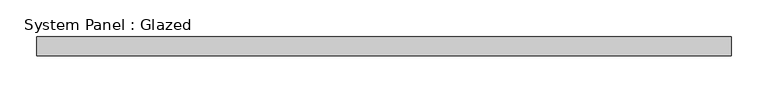
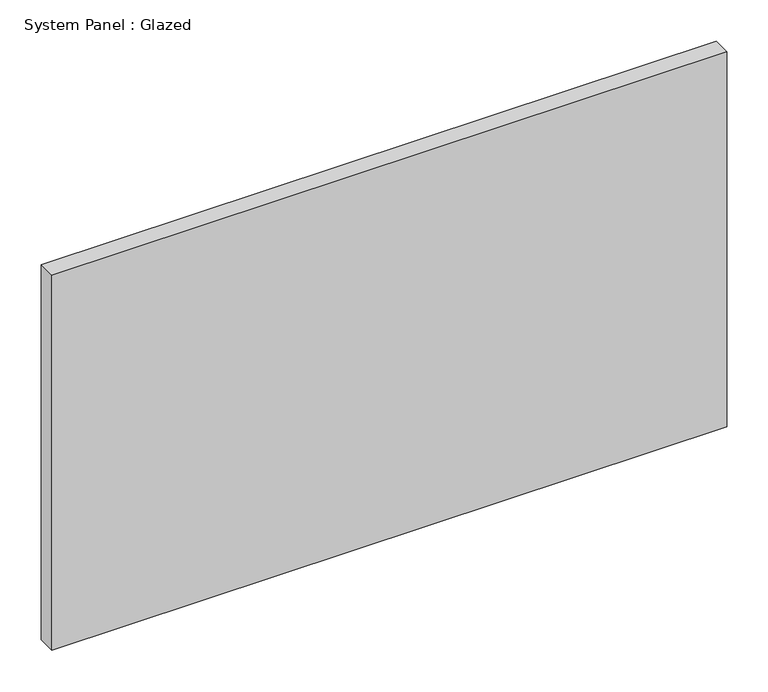
"""IFC4 building model written with IfcOpenShell, lengths in millimetres: plate geometry, System Panel : Glazed."""

from ifc_helpers import new_model, si_unit, origin, origin_with_axes, place, context, project, spatial, polyline, outline, extrude, source, transform, mapped, element, save


def system_panel_glazed_b3586dff(model_context):
    return source(origin(), model_context, "Body", "SweptSolid", [
        extrude(outline(polyline([(469.9, -12.7), (-469.9, -12.7), (-469.9, 12.7), (469.9, 12.7), (469.9, -12.7)])), origin_with_axes(), (0.0, 0.0, 1.0), 552.45),
    ])


if __name__ == "__main__":
    model = new_model("IFC4")
    model_context = context("Model", 3, world=origin())
    ifc_project = project(units=[si_unit("LENGTHUNIT", "METRE", prefix="MILLI")], contexts=[model_context])
    site = spatial("IfcSite", under=ifc_project)
    building = spatial("IfcBuilding", under=site)
    placement = place(None, origin())
    system_panel_glazed_shape = system_panel_glazed_b3586dff(model_context)
    element("IfcPlate", 1, ObjectType="System Panel : Glazed", at=placement, inside=building, context=model_context, shape_type="MappedRepresentation", body=[
        mapped(system_panel_glazed_shape, transform((0.0, 0.0, 0.0), x_axis=(1.0, 0.0, 0.0), y_axis=(0.0, 1.0, 0.0), z_axis=(0.0, 0.0, 1.0))),
    ])
    save(model, "model.ifc")
